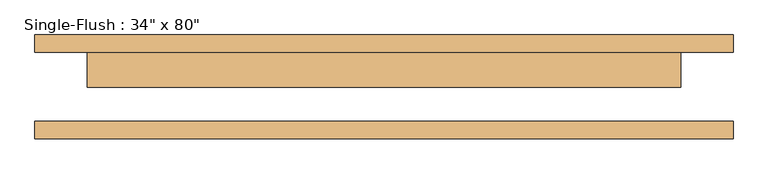
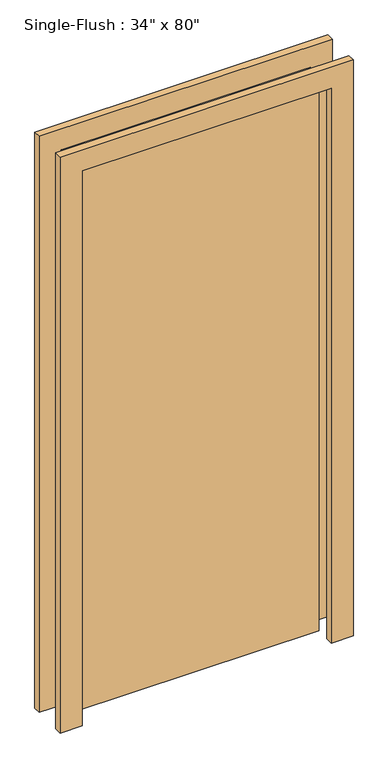
"""IFC4 building model written with IfcOpenShell, lengths in millimetres: door geometry."""

from ifc_helpers import new_model, si_unit, frame, origin, origin_with_axes, place, context, project, spatial, polyline, outline, extrude, source, transform, mapped, element, save


def door_5eeb210d(model_context):
    return source(origin(), model_context, "Body", "SweptSolid", [
        extrude(outline(polyline([(2108.2, -508.0), (0.0, -508.0), (0.0, -431.8), (2032.0, -431.8), (2032.0, 431.8), (0.0, 431.8), (0.0, 508.0), (2108.2, 508.0), (2108.2, -508.0)])), frame((0.0, 50.0, 0.0), z_axis=(0.0, 1.0, 0.0), x_axis=(0.0, 0.0, 1.0)), (0.0, 0.0, 1.0), 25.4),
        extrude(outline(polyline([(2108.2, 508.0), (2108.2, -508.0), (0.0, -508.0), (0.0, -431.8), (2032.0, -431.8), (2032.0, 431.8), (0.0, 431.8), (0.0, 508.0), (2108.2, 508.0)])), frame((0.0, -75.4, 0.0), z_axis=(0.0, 1.0, 0.0), x_axis=(0.0, 0.0, 1.0)), (0.0, 0.0, 1.0), 25.4),
        extrude(outline(polyline([(431.8, -0.8), (-431.8, -0.8), (-431.8, 50.0), (431.8, 50.0), (431.8, -0.8)])), origin_with_axes(), (0.0, 0.0, 1.0), 2032.0),
    ])


if __name__ == "__main__":
    model = new_model("IFC4")
    model_context = context("Model", 3, world=origin())
    ifc_project = project(units=[si_unit("LENGTHUNIT", "METRE", prefix="MILLI")], contexts=[model_context])
    site = spatial("IfcSite", under=ifc_project)
    building = spatial("IfcBuilding", under=site)
    placement = place(None, origin())
    door_shape = door_5eeb210d(model_context)
    element("IfcDoor", 1, ObjectType="Single-Flush : 34\" x 80\"", at=placement, inside=building, context=model_context, shape_type="MappedRepresentation", body=[
        mapped(door_shape, transform((0.0, 0.0, 0.0), x_axis=(1.0, 0.0, 0.0), y_axis=(0.0, 1.0, 0.0), z_axis=(0.0, 0.0, 1.0))),
    ])
    save(model, "model.ifc")
